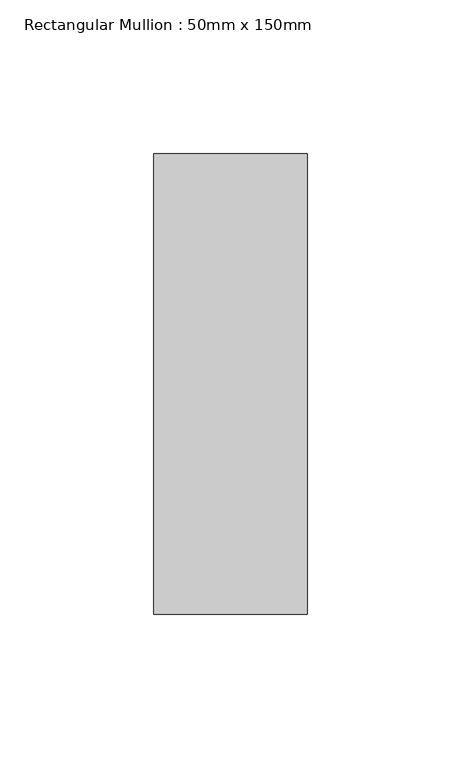
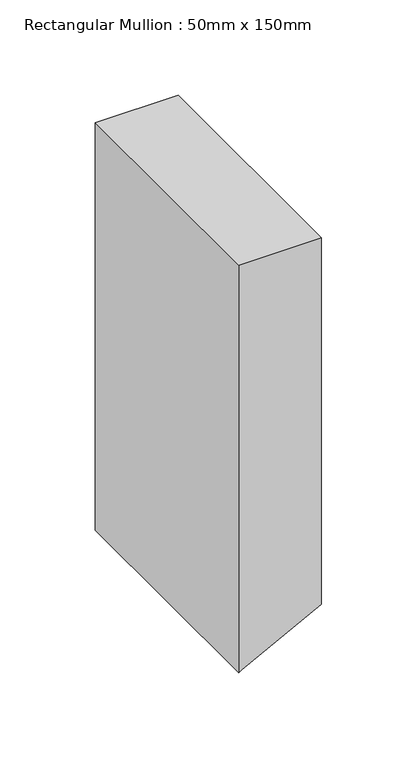
"""IFC4 building model written with IfcOpenShell, lengths in millimetres: member geometry, Rectangular Mullion : 50mm x 150mm."""

from ifc_helpers import new_model, si_unit, point, frame, frame_2d, origin, place, context, project, spatial, polyline, circle_curve, trimmed, segment, composite_curve, outline, extrude, source, transform, mapped, element, save


def rectangular_mullion_50mm_x_150mm_aa3c6d77(model_context):
    return source(origin(), model_context, "Body", "SweptSolid", [
        extrude(outline(composite_curve([segment(polyline([(0.0, 25.0), (0.0, -25.0), (-260.4681472, -25.0)]), True, "CONTINUOUS"), segment(trimmed(circle_curve(frame_2d((5968.7239329, -3251.8533559)), 7015.3700225), [point((-260.4681472, -25.0))], [point((-259.4382347, -23.0126095))], False, "CARTESIAN"), True, "CONTINUOUS"), segment(trimmed(circle_curve(frame_2d((5968.7239329, -3251.8533559)), 7015.3700225), [point((-259.4382347, -23.0126095))], [point((-234.3115043, 25.0))], False, "CARTESIAN"), True, "CONTINUOUS"), segment(polyline([(-234.3115043, 25.0), (0.0, 25.0)]), True, "CONTINUOUS")], self_intersect=False)), frame((0.0, -75.0, 0.0), z_axis=(0.0, 1.0, 0.0), x_axis=(0.0, 0.0, 1.0)), (0.0, 0.0, 1.0), 150.0),
    ])


if __name__ == "__main__":
    model = new_model("IFC4")
    model_context = context("Model", 3, world=origin())
    ifc_project = project(units=[si_unit("LENGTHUNIT", "METRE", prefix="MILLI")], contexts=[model_context])
    site = spatial("IfcSite", under=ifc_project)
    building = spatial("IfcBuilding", under=site)
    placement = place(None, origin())
    rectangular_mullion_50mm_x_150mm_shape = rectangular_mullion_50mm_x_150mm_aa3c6d77(model_context)
    element("IfcMember", 1, ObjectType="Rectangular Mullion : 50mm x 150mm", at=placement, inside=building, context=model_context, shape_type="MappedRepresentation", body=[
        mapped(rectangular_mullion_50mm_x_150mm_shape, transform((0.0, 0.0, 0.0), x_axis=(1.0, 0.0, 0.0), y_axis=(0.0, 1.0, 0.0), z_axis=(0.0, 0.0, 1.0))),
    ])
    save(model, "model.ifc")
